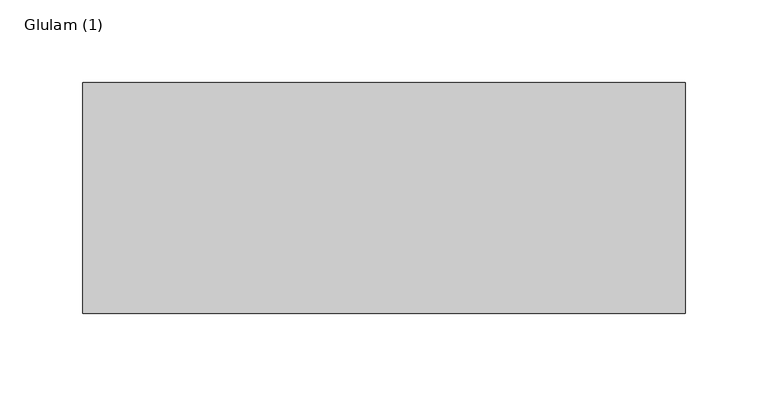
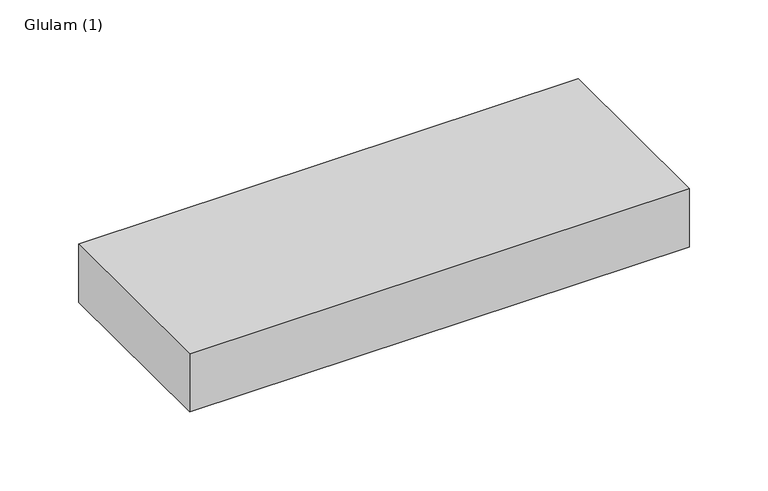
"""IFC4 building model written with IfcOpenShell, lengths in millimetres: beam geometry, Glulam (1)."""

from ifc_helpers import new_model, si_unit, frame, origin, place, context, project, spatial, polyline, outline, extrude, source, transform, mapped, element, save


def glulam_1_f634092e(model_context):
    return source(origin(), model_context, "Body", "SweptSolid", [
        extrude(outline(polyline([(183.0, 70.0), (183.0, -70.0), (-182.0, -70.0), (-182.0, 70.0), (183.0, 70.0)])), frame((0.0, 0.0, -22.5), z_axis=(0.0, 0.0, 1.0), x_axis=(1.0, 0.0, 0.0)), (0.0, 0.0, 1.0), 45.0),
    ])


if __name__ == "__main__":
    model = new_model("IFC4")
    model_context = context("Model", 3, world=origin())
    ifc_project = project(units=[si_unit("LENGTHUNIT", "METRE", prefix="MILLI")], contexts=[model_context])
    site = spatial("IfcSite", under=ifc_project)
    building = spatial("IfcBuilding", under=site)
    placement = place(None, origin())
    glulam_1_shape = glulam_1_f634092e(model_context)
    element("IfcBeam", 1, ObjectType="Glulam (1)", at=placement, inside=building, context=model_context, shape_type="MappedRepresentation", body=[
        mapped(glulam_1_shape, transform((0.0, 0.0, 0.0), x_axis=(1.0, 0.0, 0.0), y_axis=(0.0, 1.0, 0.0), z_axis=(0.0, 0.0, 1.0))),
    ])
    save(model, "model.ifc")
